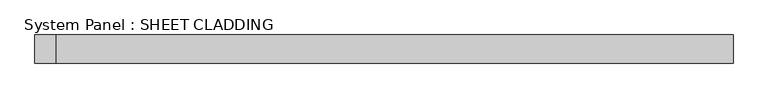
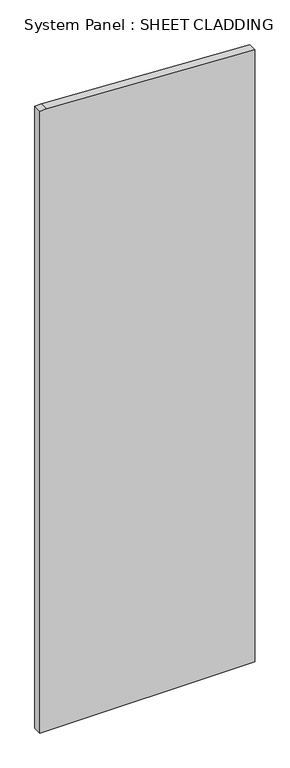
"""IFC4 building model written with IfcOpenShell, lengths in millimetres: plate geometry, System Panel : SHEET CLADDING."""

from ifc_helpers import new_model, si_unit, frame, origin, place, context, project, spatial, polyline, outline, extrude, source, transform, mapped, element, save


def system_panel_sheet_cladding_374af10a(model_context):
    return source(origin(), model_context, "Body", "SweptSolid", [
        extrude(outline(polyline([(0.0, -735.4591837), (0.0, 735.4591837), (4428.722449, 735.4591837), (4500.0, -690.0918367), (4500.0, -735.4591837), (0.0, -735.4591837)])), frame((0.0, -10.5, 0.0), z_axis=(0.0, 1.0, 0.0), x_axis=(0.0, 0.0, 1.0)), (0.0, 0.0, 1.0), 60.0),
    ])


if __name__ == "__main__":
    model = new_model("IFC4")
    model_context = context("Model", 3, world=origin())
    ifc_project = project(units=[si_unit("LENGTHUNIT", "METRE", prefix="MILLI")], contexts=[model_context])
    site = spatial("IfcSite", under=ifc_project)
    building = spatial("IfcBuilding", under=site)
    placement = place(None, origin())
    system_panel_sheet_cladding_shape = system_panel_sheet_cladding_374af10a(model_context)
    element("IfcPlate", 1, ObjectType="System Panel : SHEET CLADDING", at=placement, inside=building, context=model_context, shape_type="MappedRepresentation", body=[
        mapped(system_panel_sheet_cladding_shape, transform((0.0, 0.0, 0.0), x_axis=(1.0, 0.0, 0.0), y_axis=(0.0, 1.0, 0.0), z_axis=(0.0, 0.0, 1.0))),
    ])
    save(model, "model.ifc")
